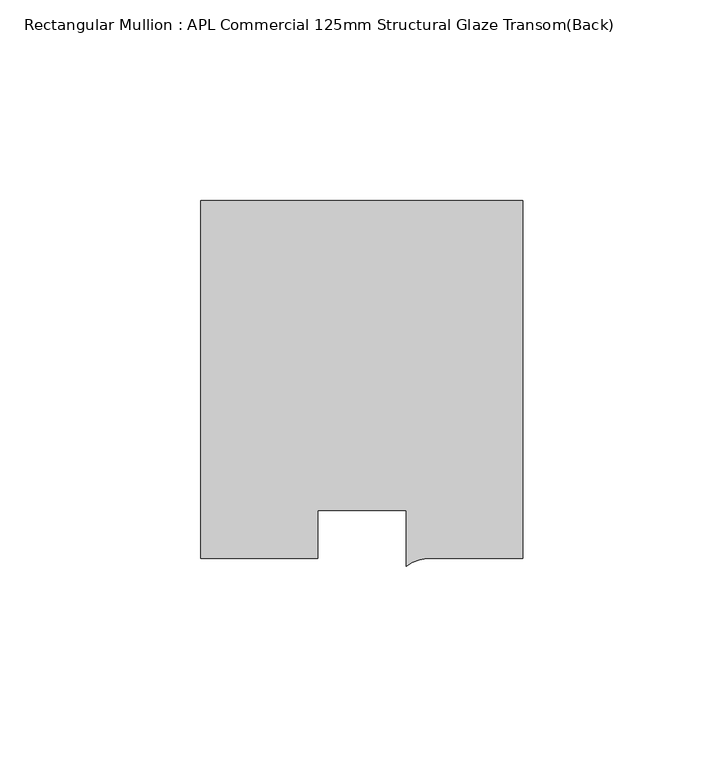
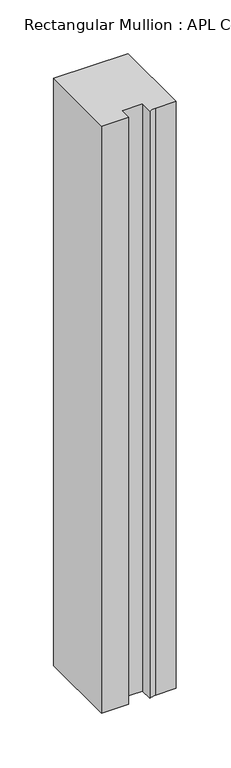
"""IFC4 building model written with IfcOpenShell, lengths in millimetres: member geometry, Rectangular Mullion : APL Commercial 125mm Structural Glaze Transom(Back)."""

from ifc_helpers import new_model, si_unit, point, frame, frame_2d, origin, place, context, project, spatial, polyline, circle_curve, trimmed, segment, composite_curve, outline, extrude, source, transform, mapped, element, save


def rectangular_mullion_apl_commercial_125mm_structural_glaze_ccd87f8f(model_context):
    return source(origin(), model_context, "Body", "SweptSolid", [
        extrude(outline(composite_curve([segment(polyline([(40.0, 104.0), (40.0, 15.0000829), (17.9999542, 15.0000829)]), True, "CONTINUOUS"), segment(trimmed(circle_curve(frame_2d((17.1097719, 4.581653)), 10.4563907), [point((17.9999542, 15.0000829))], [point((11.0000151, 13.0673455))], True, "CARTESIAN"), True, "CONTINUOUS"), segment(polyline([(11.0000151, 13.0673455), (11.0000151, 27.0), (-11.0000151, 27.0), (-11.0000151, 15.0000829), (-40.0, 15.0000829), (-40.0, 104.0), (40.0, 104.0)]), True, "CONTINUOUS")], self_intersect=False)), frame((0.0, 0.0, -666.0250258), z_axis=(0.0, 0.0, 1.0), x_axis=(1.0, 0.0, 0.0)), (0.0, 0.0, 1.0), 666.0250258),
    ])


if __name__ == "__main__":
    model = new_model("IFC4")
    model_context = context("Model", 3, world=origin())
    ifc_project = project(units=[si_unit("LENGTHUNIT", "METRE", prefix="MILLI")], contexts=[model_context])
    site = spatial("IfcSite", under=ifc_project)
    building = spatial("IfcBuilding", under=site)
    placement = place(None, origin())
    rectangular_mullion_apl_commercial_125mm_structural_glaze_shape = rectangular_mullion_apl_commercial_125mm_structural_glaze_ccd87f8f(model_context)
    element("IfcMember", 1, ObjectType="Rectangular Mullion : APL Commercial 125mm Structural Glaze Transom(Back)", at=placement, inside=building, context=model_context, shape_type="MappedRepresentation", body=[
        mapped(rectangular_mullion_apl_commercial_125mm_structural_glaze_shape, transform((0.0, 0.0, 0.0), x_axis=(1.0, 0.0, 0.0), y_axis=(0.0, 1.0, 0.0), z_axis=(0.0, 0.0, 1.0))),
    ])
    save(model, "model.ifc")
